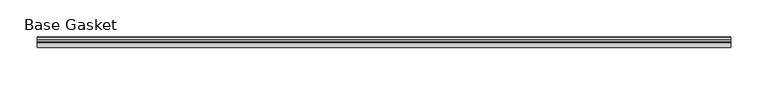
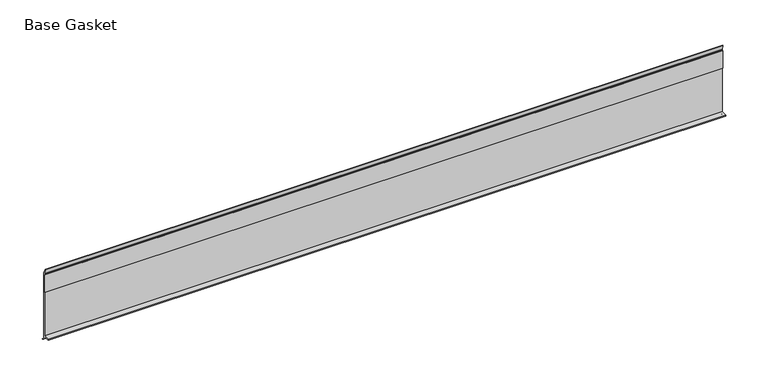
"""IFC4 building model written with IfcOpenShell, lengths in millimetres: furniture geometry, Base Gasket."""

from ifc_helpers import new_model, si_unit, frame, origin, place, context, project, spatial, polyline, outline, extrude, source, transform, mapped, element, save


def base_gasket_50c4a484(model_context):
    return source(origin(), model_context, "Body", "SweptSolid", [
        extrude(outline(polyline([(3.7283812, 98.4568417), (3.7283812, 4.3498477), (7.4222115, 0.6560174), (7.8482342, 0.0), (6.8281054, 0.3520979), (2.2043812, 4.3498477), (2.1334222, 6.3818476), (-6.2405171, 6.3818476), (-6.2405171, 7.9398773), (2.2043812, 7.9398773), (2.2043812, 71.4693447), (1.4106313, 71.4693447), (1.4106313, 96.8693477), (2.2043812, 96.8693477), (2.2043812, 98.4568417), (0.6755308, 104.4162708), (0.6755308, 105.2002997), (1.1891543, 104.587663), (3.7283812, 98.4568417)])), frame((-1527.8982117, 0.0, 0.0), z_axis=(1.0, 0.0, 0.0), x_axis=(0.0, 1.0, 0.0)), (0.0, 0.0, 1.0), 927.1),
    ])


if __name__ == "__main__":
    model = new_model("IFC4")
    model_context = context("Model", 3, world=origin())
    ifc_project = project(units=[si_unit("LENGTHUNIT", "METRE", prefix="MILLI")], contexts=[model_context])
    site = spatial("IfcSite", under=ifc_project)
    building = spatial("IfcBuilding", under=site)
    placement = place(None, origin())
    base_gasket_shape = base_gasket_50c4a484(model_context)
    element("IfcFurniture", 1, ObjectType="Base Gasket", at=placement, inside=building, context=model_context, shape_type="MappedRepresentation", body=[
        mapped(base_gasket_shape, transform((0.0, 0.0, 0.0), x_axis=(1.0, 0.0, 0.0), y_axis=(0.0, 1.0, 0.0), z_axis=(0.0, 0.0, 1.0))),
    ])
    save(model, "model.ifc")
